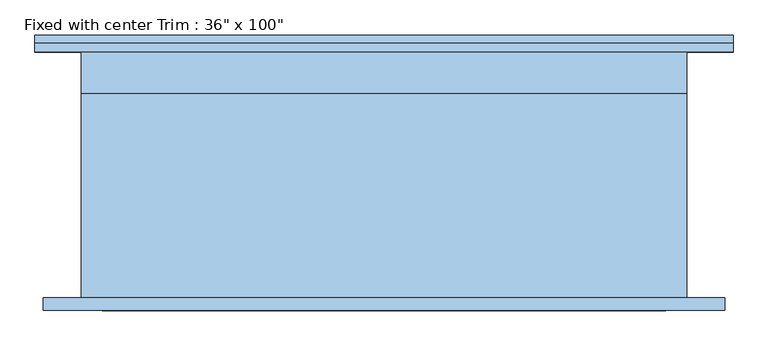
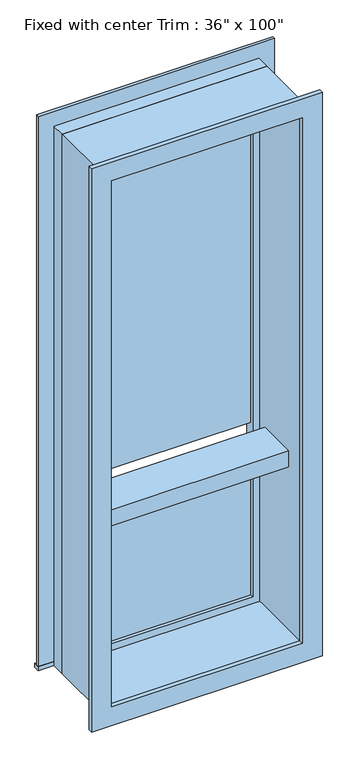
"""IFC4 building model written with IfcOpenShell, lengths in millimetres: window geometry."""

from ifc_helpers import new_model, si_unit, frame, origin, place, context, project, spatial, polyline, outline, extrude, source, transform, mapped, element, save


def window_27e6043d(model_context):
    return source(origin(), model_context, "Body", "SweptSolid", [
        extrude(outline(polyline([(-565.15, 211.074), (488.95, 211.074), (488.95, 185.674), (-565.15, 185.674), (-565.15, 211.074)])), frame((0.0, 0.0, 304.8), z_axis=(0.0, 0.0, 1.0), x_axis=(1.0, 0.0, 0.0)), (0.0, 0.0, 1.0), 19.05),
        extrude(outline(polyline([(2825.75, -476.25), (2825.75, 400.05), (323.85, 400.05), (323.85, 488.95), (2914.65, 488.95), (2914.65, -565.15), (323.85, -565.15), (323.85, -476.25), (2825.75, -476.25)])), frame((0.0, 185.674, 0.0), z_axis=(0.0, 1.0, 0.0), x_axis=(0.0, 0.0, 1.0)), (0.0, 0.0, 1.0), 12.7),
        extrude(outline(polyline([(2901.95, 476.25), (2901.95, -552.45), (247.65, -552.45), (247.65, 476.25), (2901.95, 476.25)]), holes=[polyline([(2813.05, 387.35), (336.55, 387.35), (336.55, -463.55), (2813.05, -463.55), (2813.05, 387.35)])]), frame((0.0, -204.724, 0.0), z_axis=(0.0, 1.0, 0.0), x_axis=(0.0, 0.0, 1.0)), (0.0, 0.0, 1.0), 19.05),
        extrude(outline(polyline([(355.6, 138.049), (-431.8, 138.049), (-431.8, 150.749), (355.6, 150.749), (355.6, 138.049)])), frame((0.0, 0.0, 1181.1), z_axis=(0.0, 0.0, 1.0), x_axis=(1.0, 0.0, 0.0)), (0.0, 0.0, 1.0), 1600.2),
        extrude(outline(polyline([(355.6, 138.049), (-431.8, 138.049), (-431.8, 150.749), (355.6, 150.749), (355.6, 138.049)])), frame((0.0, 0.0, 368.3), z_axis=(0.0, 0.0, 1.0), x_axis=(1.0, 0.0, 0.0)), (0.0, 0.0, 1.0), 736.6),
        extrude(outline(polyline([(2844.8, -495.3), (304.8, -495.3), (304.8, 419.1), (2844.8, 419.1), (2844.8, -495.3)]), holes=[polyline([(2813.05, -463.55), (2813.05, 387.35), (336.55, 387.35), (336.55, -463.55), (2813.05, -463.55)])]), frame((0.0, -185.674, 0.0), z_axis=(0.0, 1.0, 0.0), x_axis=(0.0, 0.0, 1.0)), (0.0, 0.0, 1.0), 307.848),
        extrude(outline(polyline([(2844.8, 419.1), (2844.8, -495.3), (304.8, -495.3), (304.8, 419.1), (2844.8, 419.1)]), holes=[polyline([(2825.75, 400.05), (323.85, 400.05), (323.85, -476.25), (2825.75, -476.25), (2825.75, 400.05)])]), frame((0.0, 122.174, 0.0), z_axis=(0.0, 1.0, 0.0), x_axis=(0.0, 0.0, 1.0)), (0.0, 0.0, 1.0), 63.5),
        extrude(outline(polyline([(2825.75, -476.25), (323.85, -476.25), (323.85, 400.05), (2825.75, 400.05), (2825.75, -476.25)]), holes=[polyline([(2781.3, -431.8), (2781.3, 355.6), (368.3, 355.6), (368.3, -431.8), (2781.3, -431.8)])]), frame((0.0, 122.174, 0.0), z_axis=(0.0, 1.0, 0.0), x_axis=(0.0, 0.0, 1.0)), (0.0, 0.0, 1.0), 44.45),
        extrude(outline(polyline([(387.35, -101.6), (-463.55, -101.6), (-463.55, 82.55), (387.35, 82.55), (387.35, -101.6)])), frame((0.0, 0.0, 1104.9), z_axis=(0.0, 0.0, 1.0), x_axis=(1.0, 0.0, 0.0)), (0.0, 0.0, 1.0), 76.2),
    ])


if __name__ == "__main__":
    model = new_model("IFC4")
    model_context = context("Model", 3, world=origin())
    ifc_project = project(units=[si_unit("LENGTHUNIT", "METRE", prefix="MILLI")], contexts=[model_context])
    site = spatial("IfcSite", under=ifc_project)
    building = spatial("IfcBuilding", under=site)
    placement = place(None, origin())
    window_shape = window_27e6043d(model_context)
    element("IfcWindow", 1, ObjectType="Fixed with center Trim : 36\" x 100\"", at=placement, inside=building, context=model_context, shape_type="MappedRepresentation", body=[
        mapped(window_shape, transform((0.0, 0.0, 0.0), x_axis=(1.0, 0.0, 0.0), y_axis=(0.0, 1.0, 0.0), z_axis=(0.0, 0.0, 1.0))),
    ])
    save(model, "model.ifc")
